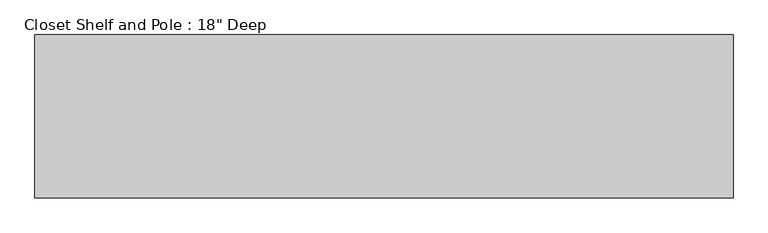
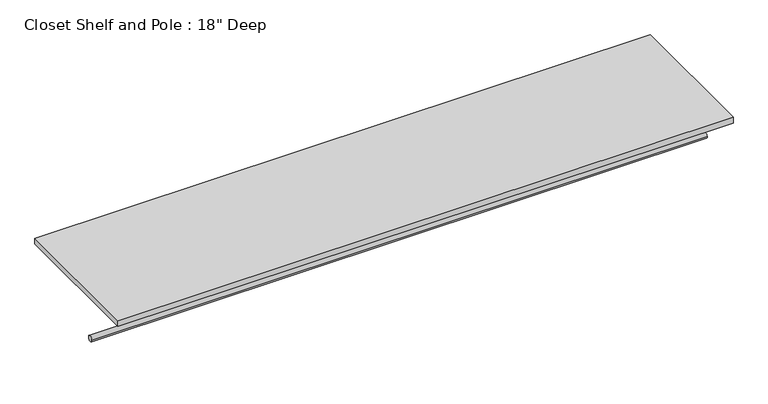
"""IFC4 building model written with IfcOpenShell, lengths in millimetres: proxy geometry."""

from ifc_helpers import new_model, si_unit, point, frame, frame_2d, origin, place, context, project, spatial, polyline, circle_curve, trimmed, segment, composite_curve, outline, extrude, source, transform, mapped, element, save


def proxy_4d0dbabe(model_context):
    return source(origin(), model_context, "Body", "SweptSolid", [
        extrude(outline(composite_curve([segment(trimmed(circle_curve(frame_2d((-304.8, 1676.4)), 9.525), [point((-314.325, 1676.4))], [point((-295.275, 1676.4))], False, "CARTESIAN"), True, "CONTINUOUS"), segment(trimmed(circle_curve(frame_2d((-304.8, 1676.4)), 9.525), [point((-295.275, 1676.4))], [point((-314.325, 1676.4))], False, "CARTESIAN"), True, "CONTINUOUS")], self_intersect=False)), frame((0.0, 0.0, 0.0), z_axis=(1.0, 0.0, 0.0), x_axis=(0.0, 1.0, 0.0)), (0.0, 0.0, 1.0), 1955.8),
        extrude(outline(polyline([(1955.8, 0.0), (1955.8, -457.2), (0.0, -457.2), (0.0, 0.0), (1955.8, 0.0)])), frame((0.0, 0.0, 1809.75), z_axis=(0.0, 0.0, 1.0), x_axis=(1.0, 0.0, 0.0)), (0.0, 0.0, 1.0), 19.05),
    ])


if __name__ == "__main__":
    model = new_model("IFC4")
    model_context = context("Model", 3, world=origin())
    ifc_project = project(units=[si_unit("LENGTHUNIT", "METRE", prefix="MILLI")], contexts=[model_context])
    site = spatial("IfcSite", under=ifc_project)
    building = spatial("IfcBuilding", under=site)
    placement = place(None, origin())
    proxy_shape = proxy_4d0dbabe(model_context)
    element("IfcBuildingElementProxy", 1, Name="Closet Shelf and Pole : 18\" Deep", ObjectType="Closet Shelf and Pole : 18\" Deep", at=placement, inside=building, context=model_context, shape_type="MappedRepresentation", body=[
        mapped(proxy_shape, transform((0.0, 0.0, 0.0), x_axis=(1.0, 0.0, 0.0), y_axis=(0.0, 1.0, 0.0), z_axis=(0.0, 0.0, 1.0))),
    ])
    save(model, "model.ifc")
